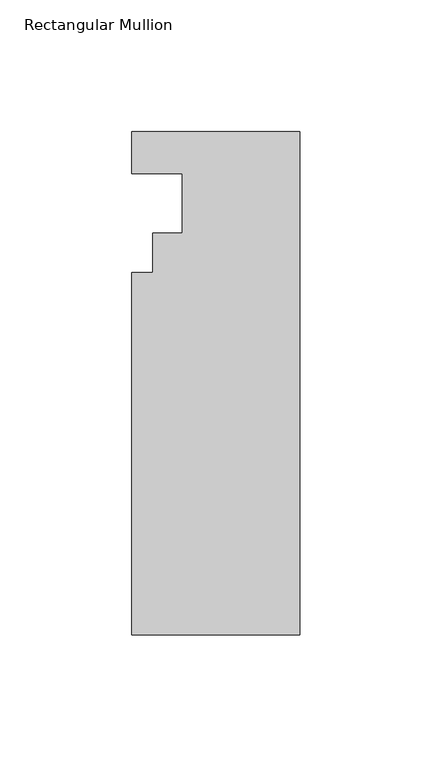
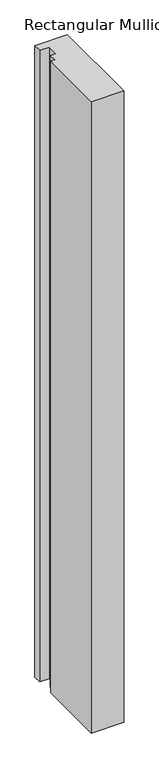
"""IFC4 building model written with IfcOpenShell, lengths in millimetres: member geometry, Rectangular Mullion."""

from ifc_helpers import new_model, si_unit, frame, origin, place, context, project, spatial, polyline, outline, extrude, source, transform, mapped, element, save


def rectangular_mullion_bcf48ce9(model_context):
    return source(origin(), model_context, "Body", "SweptSolid", [
        extrude(outline(polyline([(0.0, -190.4007813), (-63.5, -190.4007813), (-63.5, -53.0629813), (-55.5752, -53.0629813), (-55.5752, -38.0007813), (-44.45, -38.0007812), (-44.45, -15.5217813), (-63.5, -15.5217813), (-63.5, 0.3278187), (0.0, 0.3278187), (0.0, -190.4007813)])), frame((0.0, 0.0, -1305.6667299), z_axis=(0.0, 0.0, 1.0), x_axis=(1.0, 0.0, 0.0)), (0.0, 0.0, 1.0), 1305.6667299),
    ])


if __name__ == "__main__":
    model = new_model("IFC4")
    model_context = context("Model", 3, world=origin())
    ifc_project = project(units=[si_unit("LENGTHUNIT", "METRE", prefix="MILLI")], contexts=[model_context])
    site = spatial("IfcSite", under=ifc_project)
    building = spatial("IfcBuilding", under=site)
    placement = place(None, origin())
    rectangular_mullion_shape = rectangular_mullion_bcf48ce9(model_context)
    element("IfcMember", 1, ObjectType="Rectangular Mullion", at=placement, inside=building, context=model_context, shape_type="MappedRepresentation", body=[
        mapped(rectangular_mullion_shape, transform((0.0, 0.0, 0.0), x_axis=(1.0, 0.0, 0.0), y_axis=(0.0, 1.0, 0.0), z_axis=(0.0, 0.0, 1.0))),
    ])
    save(model, "model.ifc")
